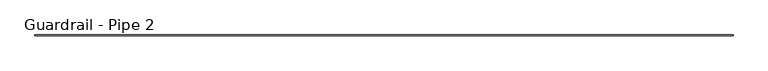
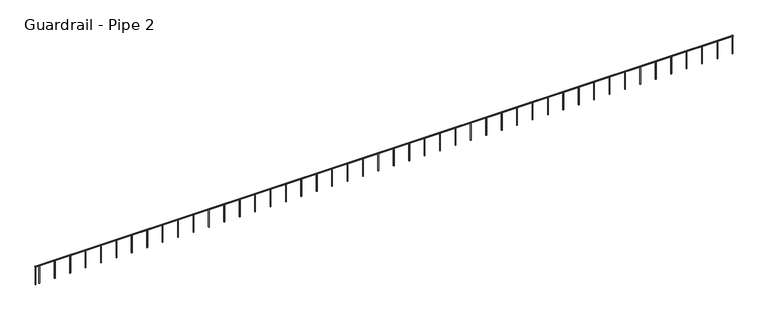
"""IFC4 building model written with IfcOpenShell, lengths in millimetres: railing geometry, Guardrail - Pipe 2."""

from ifc_helpers import new_model, si_unit, point, frame, frame_2d, origin, place, context, project, spatial, circle_curve, trimmed, segment, composite_curve, outline, extrude, source, transform, mapped, element, save


def guardrail_pipe_2_a2d819c8(model_context):
    return source(origin(), model_context, "Body", "SweptSolid", [
        extrude(outline(composite_curve([segment(trimmed(circle_curve(frame_2d((-523774.2080223, 5772.15)), 19.05), [point((-523793.2580223, 5772.15))], [point((-523755.1580223, 5772.15))], False, "CARTESIAN"), True, "CONTINUOUS"), segment(trimmed(circle_curve(frame_2d((-523774.2080223, 5772.15)), 19.05), [point((-523755.1580223, 5772.15))], [point((-523793.2580223, 5772.15))], False, "CARTESIAN"), True, "CONTINUOUS")], self_intersect=False)), frame((242124.2525869, 0.0, 0.0), z_axis=(1.0, 0.0, 0.0), x_axis=(0.0, 1.0, 0.0)), (0.0, 0.0, 1.0), 27595.5125),
        extrude(outline(composite_curve([segment(trimmed(circle_curve(frame_2d((242287.7650869, -523774.2080223)), 12.7), [point((242287.7650869, -523786.9080223))], [point((242287.7650869, -523761.5080223))], False, "CARTESIAN"), True, "CONTINUOUS"), segment(trimmed(circle_curve(frame_2d((242287.7650869, -523774.2080223)), 12.7), [point((242287.7650869, -523761.5080223))], [point((242287.7650869, -523786.9080223))], False, "CARTESIAN"), True, "CONTINUOUS")], self_intersect=False)), frame((0.0, 0.0, 5029.2), z_axis=(0.0, 0.0, 1.0), x_axis=(1.0, 0.0, 0.0)), (0.0, 0.0, 1.0), 723.9),
        extrude(outline(composite_curve([segment(trimmed(circle_curve(frame_2d((242897.3650869, -523774.2080223)), 12.7), [point((242897.3650869, -523786.9080223))], [point((242897.3650869, -523761.5080223))], False, "CARTESIAN"), True, "CONTINUOUS"), segment(trimmed(circle_curve(frame_2d((242897.3650869, -523774.2080223)), 12.7), [point((242897.3650869, -523761.5080223))], [point((242897.3650869, -523786.9080223))], False, "CARTESIAN"), True, "CONTINUOUS")], self_intersect=False)), frame((0.0, 0.0, 5029.2), z_axis=(0.0, 0.0, 1.0), x_axis=(1.0, 0.0, 0.0)), (0.0, 0.0, 1.0), 723.9),
        extrude(outline(composite_curve([segment(trimmed(circle_curve(frame_2d((243506.9650869, -523774.2080223)), 12.7), [point((243506.9650869, -523786.9080223))], [point((243506.9650869, -523761.5080223))], False, "CARTESIAN"), True, "CONTINUOUS"), segment(trimmed(circle_curve(frame_2d((243506.9650869, -523774.2080223)), 12.7), [point((243506.9650869, -523761.5080223))], [point((243506.9650869, -523786.9080223))], False, "CARTESIAN"), True, "CONTINUOUS")], self_intersect=False)), frame((0.0, 0.0, 5029.2), z_axis=(0.0, 0.0, 1.0), x_axis=(1.0, 0.0, 0.0)), (0.0, 0.0, 1.0), 723.9),
        extrude(outline(composite_curve([segment(trimmed(circle_curve(frame_2d((244116.5650869, -523774.2080223)), 12.7), [point((244116.5650869, -523786.9080223))], [point((244116.5650869, -523761.5080223))], False, "CARTESIAN"), True, "CONTINUOUS"), segment(trimmed(circle_curve(frame_2d((244116.5650869, -523774.2080223)), 12.7), [point((244116.5650869, -523761.5080223))], [point((244116.5650869, -523786.9080223))], False, "CARTESIAN"), True, "CONTINUOUS")], self_intersect=False)), frame((0.0, 0.0, 5029.2), z_axis=(0.0, 0.0, 1.0), x_axis=(1.0, 0.0, 0.0)), (0.0, 0.0, 1.0), 723.9),
        extrude(outline(composite_curve([segment(trimmed(circle_curve(frame_2d((244726.1650869, -523774.2080223)), 12.7), [point((244726.1650869, -523786.9080223))], [point((244726.1650869, -523761.5080223))], False, "CARTESIAN"), True, "CONTINUOUS"), segment(trimmed(circle_curve(frame_2d((244726.1650869, -523774.2080223)), 12.7), [point((244726.1650869, -523761.5080223))], [point((244726.1650869, -523786.9080223))], False, "CARTESIAN"), True, "CONTINUOUS")], self_intersect=False)), frame((0.0, 0.0, 5029.2), z_axis=(0.0, 0.0, 1.0), x_axis=(1.0, 0.0, 0.0)), (0.0, 0.0, 1.0), 723.9),
        extrude(outline(composite_curve([segment(trimmed(circle_curve(frame_2d((245335.7650869, -523774.2080223)), 12.7), [point((245335.7650869, -523786.9080223))], [point((245335.7650869, -523761.5080223))], False, "CARTESIAN"), True, "CONTINUOUS"), segment(trimmed(circle_curve(frame_2d((245335.7650869, -523774.2080223)), 12.7), [point((245335.7650869, -523761.5080223))], [point((245335.7650869, -523786.9080223))], False, "CARTESIAN"), True, "CONTINUOUS")], self_intersect=False)), frame((0.0, 0.0, 5029.2), z_axis=(0.0, 0.0, 1.0), x_axis=(1.0, 0.0, 0.0)), (0.0, 0.0, 1.0), 723.9),
        extrude(outline(composite_curve([segment(trimmed(circle_curve(frame_2d((245945.3650869, -523774.2080223)), 12.7), [point((245945.3650869, -523786.9080223))], [point((245945.3650869, -523761.5080223))], False, "CARTESIAN"), True, "CONTINUOUS"), segment(trimmed(circle_curve(frame_2d((245945.3650869, -523774.2080223)), 12.7), [point((245945.3650869, -523761.5080223))], [point((245945.3650869, -523786.9080223))], False, "CARTESIAN"), True, "CONTINUOUS")], self_intersect=False)), frame((0.0, 0.0, 5029.2), z_axis=(0.0, 0.0, 1.0), x_axis=(1.0, 0.0, 0.0)), (0.0, 0.0, 1.0), 723.9),
        extrude(outline(composite_curve([segment(trimmed(circle_curve(frame_2d((246554.9650869, -523774.2080223)), 12.7), [point((246554.9650869, -523786.9080223))], [point((246554.9650869, -523761.5080223))], False, "CARTESIAN"), True, "CONTINUOUS"), segment(trimmed(circle_curve(frame_2d((246554.9650869, -523774.2080223)), 12.7), [point((246554.9650869, -523761.5080223))], [point((246554.9650869, -523786.9080223))], False, "CARTESIAN"), True, "CONTINUOUS")], self_intersect=False)), frame((0.0, 0.0, 5029.2), z_axis=(0.0, 0.0, 1.0), x_axis=(1.0, 0.0, 0.0)), (0.0, 0.0, 1.0), 723.9),
        extrude(outline(composite_curve([segment(trimmed(circle_curve(frame_2d((247164.5650869, -523774.2080223)), 12.7), [point((247164.5650869, -523786.9080223))], [point((247164.5650869, -523761.5080223))], False, "CARTESIAN"), True, "CONTINUOUS"), segment(trimmed(circle_curve(frame_2d((247164.5650869, -523774.2080223)), 12.7), [point((247164.5650869, -523761.5080223))], [point((247164.5650869, -523786.9080223))], False, "CARTESIAN"), True, "CONTINUOUS")], self_intersect=False)), frame((0.0, 0.0, 5029.2), z_axis=(0.0, 0.0, 1.0), x_axis=(1.0, 0.0, 0.0)), (0.0, 0.0, 1.0), 723.9),
        extrude(outline(composite_curve([segment(trimmed(circle_curve(frame_2d((247774.1650869, -523774.2080223)), 12.7), [point((247774.1650869, -523786.9080223))], [point((247774.1650869, -523761.5080223))], False, "CARTESIAN"), True, "CONTINUOUS"), segment(trimmed(circle_curve(frame_2d((247774.1650869, -523774.2080223)), 12.7), [point((247774.1650869, -523761.5080223))], [point((247774.1650869, -523786.9080223))], False, "CARTESIAN"), True, "CONTINUOUS")], self_intersect=False)), frame((0.0, 0.0, 5029.2), z_axis=(0.0, 0.0, 1.0), x_axis=(1.0, 0.0, 0.0)), (0.0, 0.0, 1.0), 723.9),
        extrude(outline(composite_curve([segment(trimmed(circle_curve(frame_2d((248383.7650869, -523774.2080223)), 12.7), [point((248383.7650869, -523786.9080223))], [point((248383.7650869, -523761.5080223))], False, "CARTESIAN"), True, "CONTINUOUS"), segment(trimmed(circle_curve(frame_2d((248383.7650869, -523774.2080223)), 12.7), [point((248383.7650869, -523761.5080223))], [point((248383.7650869, -523786.9080223))], False, "CARTESIAN"), True, "CONTINUOUS")], self_intersect=False)), frame((0.0, 0.0, 5029.2), z_axis=(0.0, 0.0, 1.0), x_axis=(1.0, 0.0, 0.0)), (0.0, 0.0, 1.0), 723.9),
        extrude(outline(composite_curve([segment(trimmed(circle_curve(frame_2d((248993.3650869, -523774.2080223)), 12.7), [point((248993.3650869, -523786.9080223))], [point((248993.3650869, -523761.5080223))], False, "CARTESIAN"), True, "CONTINUOUS"), segment(trimmed(circle_curve(frame_2d((248993.3650869, -523774.2080223)), 12.7), [point((248993.3650869, -523761.5080223))], [point((248993.3650869, -523786.9080223))], False, "CARTESIAN"), True, "CONTINUOUS")], self_intersect=False)), frame((0.0, 0.0, 5029.2), z_axis=(0.0, 0.0, 1.0), x_axis=(1.0, 0.0, 0.0)), (0.0, 0.0, 1.0), 723.9),
        extrude(outline(composite_curve([segment(trimmed(circle_curve(frame_2d((249602.9650869, -523774.2080223)), 12.7), [point((249602.9650869, -523786.9080223))], [point((249602.9650869, -523761.5080223))], False, "CARTESIAN"), True, "CONTINUOUS"), segment(trimmed(circle_curve(frame_2d((249602.9650869, -523774.2080223)), 12.7), [point((249602.9650869, -523761.5080223))], [point((249602.9650869, -523786.9080223))], False, "CARTESIAN"), True, "CONTINUOUS")], self_intersect=False)), frame((0.0, 0.0, 5029.2), z_axis=(0.0, 0.0, 1.0), x_axis=(1.0, 0.0, 0.0)), (0.0, 0.0, 1.0), 723.9),
        extrude(outline(composite_curve([segment(trimmed(circle_curve(frame_2d((250212.5650869, -523774.2080223)), 12.7), [point((250212.5650869, -523786.9080223))], [point((250212.5650869, -523761.5080223))], False, "CARTESIAN"), True, "CONTINUOUS"), segment(trimmed(circle_curve(frame_2d((250212.5650869, -523774.2080223)), 12.7), [point((250212.5650869, -523761.5080223))], [point((250212.5650869, -523786.9080223))], False, "CARTESIAN"), True, "CONTINUOUS")], self_intersect=False)), frame((0.0, 0.0, 5029.2), z_axis=(0.0, 0.0, 1.0), x_axis=(1.0, 0.0, 0.0)), (0.0, 0.0, 1.0), 723.9),
        extrude(outline(composite_curve([segment(trimmed(circle_curve(frame_2d((250822.1650869, -523774.2080223)), 12.7), [point((250822.1650869, -523786.9080223))], [point((250822.1650869, -523761.5080223))], False, "CARTESIAN"), True, "CONTINUOUS"), segment(trimmed(circle_curve(frame_2d((250822.1650869, -523774.2080223)), 12.7), [point((250822.1650869, -523761.5080223))], [point((250822.1650869, -523786.9080223))], False, "CARTESIAN"), True, "CONTINUOUS")], self_intersect=False)), frame((0.0, 0.0, 5029.2), z_axis=(0.0, 0.0, 1.0), x_axis=(1.0, 0.0, 0.0)), (0.0, 0.0, 1.0), 723.9),
        extrude(outline(composite_curve([segment(trimmed(circle_curve(frame_2d((251431.7650869, -523774.2080223)), 12.7), [point((251431.7650869, -523786.9080223))], [point((251431.7650869, -523761.5080223))], False, "CARTESIAN"), True, "CONTINUOUS"), segment(trimmed(circle_curve(frame_2d((251431.7650869, -523774.2080223)), 12.7), [point((251431.7650869, -523761.5080223))], [point((251431.7650869, -523786.9080223))], False, "CARTESIAN"), True, "CONTINUOUS")], self_intersect=False)), frame((0.0, 0.0, 5029.2), z_axis=(0.0, 0.0, 1.0), x_axis=(1.0, 0.0, 0.0)), (0.0, 0.0, 1.0), 723.9),
        extrude(outline(composite_curve([segment(trimmed(circle_curve(frame_2d((252041.3650869, -523774.2080223)), 12.7), [point((252041.3650869, -523786.9080223))], [point((252041.3650869, -523761.5080223))], False, "CARTESIAN"), True, "CONTINUOUS"), segment(trimmed(circle_curve(frame_2d((252041.3650869, -523774.2080223)), 12.7), [point((252041.3650869, -523761.5080223))], [point((252041.3650869, -523786.9080223))], False, "CARTESIAN"), True, "CONTINUOUS")], self_intersect=False)), frame((0.0, 0.0, 5029.2), z_axis=(0.0, 0.0, 1.0), x_axis=(1.0, 0.0, 0.0)), (0.0, 0.0, 1.0), 723.9),
        extrude(outline(composite_curve([segment(trimmed(circle_curve(frame_2d((252650.9650869, -523774.2080223)), 12.7), [point((252650.9650869, -523786.9080223))], [point((252650.9650869, -523761.5080223))], False, "CARTESIAN"), True, "CONTINUOUS"), segment(trimmed(circle_curve(frame_2d((252650.9650869, -523774.2080223)), 12.7), [point((252650.9650869, -523761.5080223))], [point((252650.9650869, -523786.9080223))], False, "CARTESIAN"), True, "CONTINUOUS")], self_intersect=False)), frame((0.0, 0.0, 5029.2), z_axis=(0.0, 0.0, 1.0), x_axis=(1.0, 0.0, 0.0)), (0.0, 0.0, 1.0), 723.9),
        extrude(outline(composite_curve([segment(trimmed(circle_curve(frame_2d((253260.5650869, -523774.2080223)), 12.7), [point((253260.5650869, -523786.9080223))], [point((253260.5650869, -523761.5080223))], False, "CARTESIAN"), True, "CONTINUOUS"), segment(trimmed(circle_curve(frame_2d((253260.5650869, -523774.2080223)), 12.7), [point((253260.5650869, -523761.5080223))], [point((253260.5650869, -523786.9080223))], False, "CARTESIAN"), True, "CONTINUOUS")], self_intersect=False)), frame((0.0, 0.0, 5029.2), z_axis=(0.0, 0.0, 1.0), x_axis=(1.0, 0.0, 0.0)), (0.0, 0.0, 1.0), 723.9),
        extrude(outline(composite_curve([segment(trimmed(circle_curve(frame_2d((253870.1650869, -523774.2080223)), 12.7), [point((253870.1650869, -523786.9080223))], [point((253870.1650869, -523761.5080223))], False, "CARTESIAN"), True, "CONTINUOUS"), segment(trimmed(circle_curve(frame_2d((253870.1650869, -523774.2080223)), 12.7), [point((253870.1650869, -523761.5080223))], [point((253870.1650869, -523786.9080223))], False, "CARTESIAN"), True, "CONTINUOUS")], self_intersect=False)), frame((0.0, 0.0, 5029.2), z_axis=(0.0, 0.0, 1.0), x_axis=(1.0, 0.0, 0.0)), (0.0, 0.0, 1.0), 723.9),
        extrude(outline(composite_curve([segment(trimmed(circle_curve(frame_2d((254479.7650869, -523774.2080223)), 12.7), [point((254479.7650869, -523786.9080223))], [point((254479.7650869, -523761.5080223))], False, "CARTESIAN"), True, "CONTINUOUS"), segment(trimmed(circle_curve(frame_2d((254479.7650869, -523774.2080223)), 12.7), [point((254479.7650869, -523761.5080223))], [point((254479.7650869, -523786.9080223))], False, "CARTESIAN"), True, "CONTINUOUS")], self_intersect=False)), frame((0.0, 0.0, 5029.2), z_axis=(0.0, 0.0, 1.0), x_axis=(1.0, 0.0, 0.0)), (0.0, 0.0, 1.0), 723.9),
        extrude(outline(composite_curve([segment(trimmed(circle_curve(frame_2d((255089.3650869, -523774.2080223)), 12.7), [point((255089.3650869, -523786.9080223))], [point((255089.3650869, -523761.5080223))], False, "CARTESIAN"), True, "CONTINUOUS"), segment(trimmed(circle_curve(frame_2d((255089.3650869, -523774.2080223)), 12.7), [point((255089.3650869, -523761.5080223))], [point((255089.3650869, -523786.9080223))], False, "CARTESIAN"), True, "CONTINUOUS")], self_intersect=False)), frame((0.0, 0.0, 5029.2), z_axis=(0.0, 0.0, 1.0), x_axis=(1.0, 0.0, 0.0)), (0.0, 0.0, 1.0), 723.9),
        extrude(outline(composite_curve([segment(trimmed(circle_curve(frame_2d((255698.9650869, -523774.2080223)), 12.7), [point((255698.9650869, -523786.9080223))], [point((255698.9650869, -523761.5080223))], False, "CARTESIAN"), True, "CONTINUOUS"), segment(trimmed(circle_curve(frame_2d((255698.9650869, -523774.2080223)), 12.7), [point((255698.9650869, -523761.5080223))], [point((255698.9650869, -523786.9080223))], False, "CARTESIAN"), True, "CONTINUOUS")], self_intersect=False)), frame((0.0, 0.0, 5029.2), z_axis=(0.0, 0.0, 1.0), x_axis=(1.0, 0.0, 0.0)), (0.0, 0.0, 1.0), 723.9),
        extrude(outline(composite_curve([segment(trimmed(circle_curve(frame_2d((256308.5650869, -523774.2080223)), 12.7), [point((256308.5650869, -523786.9080223))], [point((256308.5650869, -523761.5080223))], False, "CARTESIAN"), True, "CONTINUOUS"), segment(trimmed(circle_curve(frame_2d((256308.5650869, -523774.2080223)), 12.7), [point((256308.5650869, -523761.5080223))], [point((256308.5650869, -523786.9080223))], False, "CARTESIAN"), True, "CONTINUOUS")], self_intersect=False)), frame((0.0, 0.0, 5029.2), z_axis=(0.0, 0.0, 1.0), x_axis=(1.0, 0.0, 0.0)), (0.0, 0.0, 1.0), 723.9),
        extrude(outline(composite_curve([segment(trimmed(circle_curve(frame_2d((256918.1650869, -523774.2080223)), 12.7), [point((256918.1650869, -523786.9080223))], [point((256918.1650869, -523761.5080223))], False, "CARTESIAN"), True, "CONTINUOUS"), segment(trimmed(circle_curve(frame_2d((256918.1650869, -523774.2080223)), 12.7), [point((256918.1650869, -523761.5080223))], [point((256918.1650869, -523786.9080223))], False, "CARTESIAN"), True, "CONTINUOUS")], self_intersect=False)), frame((0.0, 0.0, 5029.2), z_axis=(0.0, 0.0, 1.0), x_axis=(1.0, 0.0, 0.0)), (0.0, 0.0, 1.0), 723.9),
        extrude(outline(composite_curve([segment(trimmed(circle_curve(frame_2d((257527.7650869, -523774.2080223)), 12.7), [point((257527.7650869, -523786.9080223))], [point((257527.7650869, -523761.5080223))], False, "CARTESIAN"), True, "CONTINUOUS"), segment(trimmed(circle_curve(frame_2d((257527.7650869, -523774.2080223)), 12.7), [point((257527.7650869, -523761.5080223))], [point((257527.7650869, -523786.9080223))], False, "CARTESIAN"), True, "CONTINUOUS")], self_intersect=False)), frame((0.0, 0.0, 5029.2), z_axis=(0.0, 0.0, 1.0), x_axis=(1.0, 0.0, 0.0)), (0.0, 0.0, 1.0), 723.9),
        extrude(outline(composite_curve([segment(trimmed(circle_curve(frame_2d((258137.3650869, -523774.2080223)), 12.7), [point((258137.3650869, -523786.9080223))], [point((258137.3650869, -523761.5080223))], False, "CARTESIAN"), True, "CONTINUOUS"), segment(trimmed(circle_curve(frame_2d((258137.3650869, -523774.2080223)), 12.7), [point((258137.3650869, -523761.5080223))], [point((258137.3650869, -523786.9080223))], False, "CARTESIAN"), True, "CONTINUOUS")], self_intersect=False)), frame((0.0, 0.0, 5029.2), z_axis=(0.0, 0.0, 1.0), x_axis=(1.0, 0.0, 0.0)), (0.0, 0.0, 1.0), 723.9),
        extrude(outline(composite_curve([segment(trimmed(circle_curve(frame_2d((258746.9650869, -523774.2080223)), 12.7), [point((258746.9650869, -523786.9080223))], [point((258746.9650869, -523761.5080223))], False, "CARTESIAN"), True, "CONTINUOUS"), segment(trimmed(circle_curve(frame_2d((258746.9650869, -523774.2080223)), 12.7), [point((258746.9650869, -523761.5080223))], [point((258746.9650869, -523786.9080223))], False, "CARTESIAN"), True, "CONTINUOUS")], self_intersect=False)), frame((0.0, 0.0, 5029.2), z_axis=(0.0, 0.0, 1.0), x_axis=(1.0, 0.0, 0.0)), (0.0, 0.0, 1.0), 723.9),
        extrude(outline(composite_curve([segment(trimmed(circle_curve(frame_2d((259356.5650869, -523774.2080223)), 12.7), [point((259356.5650869, -523786.9080223))], [point((259356.5650869, -523761.5080223))], False, "CARTESIAN"), True, "CONTINUOUS"), segment(trimmed(circle_curve(frame_2d((259356.5650869, -523774.2080223)), 12.7), [point((259356.5650869, -523761.5080223))], [point((259356.5650869, -523786.9080223))], False, "CARTESIAN"), True, "CONTINUOUS")], self_intersect=False)), frame((0.0, 0.0, 5029.2), z_axis=(0.0, 0.0, 1.0), x_axis=(1.0, 0.0, 0.0)), (0.0, 0.0, 1.0), 723.9),
        extrude(outline(composite_curve([segment(trimmed(circle_curve(frame_2d((259966.1650869, -523774.2080223)), 12.7), [point((259966.1650869, -523786.9080223))], [point((259966.1650869, -523761.5080223))], False, "CARTESIAN"), True, "CONTINUOUS"), segment(trimmed(circle_curve(frame_2d((259966.1650869, -523774.2080223)), 12.7), [point((259966.1650869, -523761.5080223))], [point((259966.1650869, -523786.9080223))], False, "CARTESIAN"), True, "CONTINUOUS")], self_intersect=False)), frame((0.0, 0.0, 5029.2), z_axis=(0.0, 0.0, 1.0), x_axis=(1.0, 0.0, 0.0)), (0.0, 0.0, 1.0), 723.9),
        extrude(outline(composite_curve([segment(trimmed(circle_curve(frame_2d((260575.7650869, -523774.2080223)), 12.7), [point((260575.7650869, -523786.9080223))], [point((260575.7650869, -523761.5080223))], False, "CARTESIAN"), True, "CONTINUOUS"), segment(trimmed(circle_curve(frame_2d((260575.7650869, -523774.2080223)), 12.7), [point((260575.7650869, -523761.5080223))], [point((260575.7650869, -523786.9080223))], False, "CARTESIAN"), True, "CONTINUOUS")], self_intersect=False)), frame((0.0, 0.0, 5029.2), z_axis=(0.0, 0.0, 1.0), x_axis=(1.0, 0.0, 0.0)), (0.0, 0.0, 1.0), 723.9),
        extrude(outline(composite_curve([segment(trimmed(circle_curve(frame_2d((261185.3650869, -523774.2080223)), 12.7), [point((261185.3650869, -523786.9080223))], [point((261185.3650869, -523761.5080223))], False, "CARTESIAN"), True, "CONTINUOUS"), segment(trimmed(circle_curve(frame_2d((261185.3650869, -523774.2080223)), 12.7), [point((261185.3650869, -523761.5080223))], [point((261185.3650869, -523786.9080223))], False, "CARTESIAN"), True, "CONTINUOUS")], self_intersect=False)), frame((0.0, 0.0, 5029.2), z_axis=(0.0, 0.0, 1.0), x_axis=(1.0, 0.0, 0.0)), (0.0, 0.0, 1.0), 723.9),
        extrude(outline(composite_curve([segment(trimmed(circle_curve(frame_2d((261794.9650869, -523774.2080223)), 12.7), [point((261794.9650869, -523786.9080223))], [point((261794.9650869, -523761.5080223))], False, "CARTESIAN"), True, "CONTINUOUS"), segment(trimmed(circle_curve(frame_2d((261794.9650869, -523774.2080223)), 12.7), [point((261794.9650869, -523761.5080223))], [point((261794.9650869, -523786.9080223))], False, "CARTESIAN"), True, "CONTINUOUS")], self_intersect=False)), frame((0.0, 0.0, 5029.2), z_axis=(0.0, 0.0, 1.0), x_axis=(1.0, 0.0, 0.0)), (0.0, 0.0, 1.0), 723.9),
        extrude(outline(composite_curve([segment(trimmed(circle_curve(frame_2d((262404.5650869, -523774.2080223)), 12.7), [point((262404.5650869, -523786.9080223))], [point((262404.5650869, -523761.5080223))], False, "CARTESIAN"), True, "CONTINUOUS"), segment(trimmed(circle_curve(frame_2d((262404.5650869, -523774.2080223)), 12.7), [point((262404.5650869, -523761.5080223))], [point((262404.5650869, -523786.9080223))], False, "CARTESIAN"), True, "CONTINUOUS")], self_intersect=False)), frame((0.0, 0.0, 5029.2), z_axis=(0.0, 0.0, 1.0), x_axis=(1.0, 0.0, 0.0)), (0.0, 0.0, 1.0), 723.9),
        extrude(outline(composite_curve([segment(trimmed(circle_curve(frame_2d((263014.1650869, -523774.2080223)), 12.7), [point((263014.1650869, -523786.9080223))], [point((263014.1650869, -523761.5080223))], False, "CARTESIAN"), True, "CONTINUOUS"), segment(trimmed(circle_curve(frame_2d((263014.1650869, -523774.2080223)), 12.7), [point((263014.1650869, -523761.5080223))], [point((263014.1650869, -523786.9080223))], False, "CARTESIAN"), True, "CONTINUOUS")], self_intersect=False)), frame((0.0, 0.0, 5029.2), z_axis=(0.0, 0.0, 1.0), x_axis=(1.0, 0.0, 0.0)), (0.0, 0.0, 1.0), 723.9),
        extrude(outline(composite_curve([segment(trimmed(circle_curve(frame_2d((263623.7650869, -523774.2080223)), 12.7), [point((263623.7650869, -523786.9080223))], [point((263623.7650869, -523761.5080223))], False, "CARTESIAN"), True, "CONTINUOUS"), segment(trimmed(circle_curve(frame_2d((263623.7650869, -523774.2080223)), 12.7), [point((263623.7650869, -523761.5080223))], [point((263623.7650869, -523786.9080223))], False, "CARTESIAN"), True, "CONTINUOUS")], self_intersect=False)), frame((0.0, 0.0, 5029.2), z_axis=(0.0, 0.0, 1.0), x_axis=(1.0, 0.0, 0.0)), (0.0, 0.0, 1.0), 723.9),
        extrude(outline(composite_curve([segment(trimmed(circle_curve(frame_2d((264233.3650869, -523774.2080223)), 12.7), [point((264233.3650869, -523786.9080223))], [point((264233.3650869, -523761.5080223))], False, "CARTESIAN"), True, "CONTINUOUS"), segment(trimmed(circle_curve(frame_2d((264233.3650869, -523774.2080223)), 12.7), [point((264233.3650869, -523761.5080223))], [point((264233.3650869, -523786.9080223))], False, "CARTESIAN"), True, "CONTINUOUS")], self_intersect=False)), frame((0.0, 0.0, 5029.2), z_axis=(0.0, 0.0, 1.0), x_axis=(1.0, 0.0, 0.0)), (0.0, 0.0, 1.0), 723.9),
        extrude(outline(composite_curve([segment(trimmed(circle_curve(frame_2d((264842.9650869, -523774.2080223)), 12.7), [point((264842.9650869, -523786.9080223))], [point((264842.9650869, -523761.5080223))], False, "CARTESIAN"), True, "CONTINUOUS"), segment(trimmed(circle_curve(frame_2d((264842.9650869, -523774.2080223)), 12.7), [point((264842.9650869, -523761.5080223))], [point((264842.9650869, -523786.9080223))], False, "CARTESIAN"), True, "CONTINUOUS")], self_intersect=False)), frame((0.0, 0.0, 5029.2), z_axis=(0.0, 0.0, 1.0), x_axis=(1.0, 0.0, 0.0)), (0.0, 0.0, 1.0), 723.9),
        extrude(outline(composite_curve([segment(trimmed(circle_curve(frame_2d((265452.5650869, -523774.2080223)), 12.7), [point((265452.5650869, -523786.9080223))], [point((265452.5650869, -523761.5080223))], False, "CARTESIAN"), True, "CONTINUOUS"), segment(trimmed(circle_curve(frame_2d((265452.5650869, -523774.2080223)), 12.7), [point((265452.5650869, -523761.5080223))], [point((265452.5650869, -523786.9080223))], False, "CARTESIAN"), True, "CONTINUOUS")], self_intersect=False)), frame((0.0, 0.0, 5029.2), z_axis=(0.0, 0.0, 1.0), x_axis=(1.0, 0.0, 0.0)), (0.0, 0.0, 1.0), 723.9),
        extrude(outline(composite_curve([segment(trimmed(circle_curve(frame_2d((266062.1650869, -523774.2080223)), 12.7), [point((266062.1650869, -523786.9080223))], [point((266062.1650869, -523761.5080223))], False, "CARTESIAN"), True, "CONTINUOUS"), segment(trimmed(circle_curve(frame_2d((266062.1650869, -523774.2080223)), 12.7), [point((266062.1650869, -523761.5080223))], [point((266062.1650869, -523786.9080223))], False, "CARTESIAN"), True, "CONTINUOUS")], self_intersect=False)), frame((0.0, 0.0, 5029.2), z_axis=(0.0, 0.0, 1.0), x_axis=(1.0, 0.0, 0.0)), (0.0, 0.0, 1.0), 723.9),
        extrude(outline(composite_curve([segment(trimmed(circle_curve(frame_2d((266671.7650869, -523774.2080223)), 12.7), [point((266671.7650869, -523786.9080223))], [point((266671.7650869, -523761.5080223))], False, "CARTESIAN"), True, "CONTINUOUS"), segment(trimmed(circle_curve(frame_2d((266671.7650869, -523774.2080223)), 12.7), [point((266671.7650869, -523761.5080223))], [point((266671.7650869, -523786.9080223))], False, "CARTESIAN"), True, "CONTINUOUS")], self_intersect=False)), frame((0.0, 0.0, 5029.2), z_axis=(0.0, 0.0, 1.0), x_axis=(1.0, 0.0, 0.0)), (0.0, 0.0, 1.0), 723.9),
        extrude(outline(composite_curve([segment(trimmed(circle_curve(frame_2d((267281.3650869, -523774.2080223)), 12.7), [point((267281.3650869, -523786.9080223))], [point((267281.3650869, -523761.5080223))], False, "CARTESIAN"), True, "CONTINUOUS"), segment(trimmed(circle_curve(frame_2d((267281.3650869, -523774.2080223)), 12.7), [point((267281.3650869, -523761.5080223))], [point((267281.3650869, -523786.9080223))], False, "CARTESIAN"), True, "CONTINUOUS")], self_intersect=False)), frame((0.0, 0.0, 5029.2), z_axis=(0.0, 0.0, 1.0), x_axis=(1.0, 0.0, 0.0)), (0.0, 0.0, 1.0), 723.9),
        extrude(outline(composite_curve([segment(trimmed(circle_curve(frame_2d((267890.9650869, -523774.2080223)), 12.7), [point((267890.9650869, -523786.9080223))], [point((267890.9650869, -523761.5080223))], False, "CARTESIAN"), True, "CONTINUOUS"), segment(trimmed(circle_curve(frame_2d((267890.9650869, -523774.2080223)), 12.7), [point((267890.9650869, -523761.5080223))], [point((267890.9650869, -523786.9080223))], False, "CARTESIAN"), True, "CONTINUOUS")], self_intersect=False)), frame((0.0, 0.0, 5029.2), z_axis=(0.0, 0.0, 1.0), x_axis=(1.0, 0.0, 0.0)), (0.0, 0.0, 1.0), 723.9),
        extrude(outline(composite_curve([segment(trimmed(circle_curve(frame_2d((268500.5650869, -523774.2080223)), 12.7), [point((268500.5650869, -523786.9080223))], [point((268500.5650869, -523761.5080223))], False, "CARTESIAN"), True, "CONTINUOUS"), segment(trimmed(circle_curve(frame_2d((268500.5650869, -523774.2080223)), 12.7), [point((268500.5650869, -523761.5080223))], [point((268500.5650869, -523786.9080223))], False, "CARTESIAN"), True, "CONTINUOUS")], self_intersect=False)), frame((0.0, 0.0, 5029.2), z_axis=(0.0, 0.0, 1.0), x_axis=(1.0, 0.0, 0.0)), (0.0, 0.0, 1.0), 723.9),
        extrude(outline(composite_curve([segment(trimmed(circle_curve(frame_2d((269110.1650869, -523774.2080223)), 12.7), [point((269110.1650869, -523786.9080223))], [point((269110.1650869, -523761.5080223))], False, "CARTESIAN"), True, "CONTINUOUS"), segment(trimmed(circle_curve(frame_2d((269110.1650869, -523774.2080223)), 12.7), [point((269110.1650869, -523761.5080223))], [point((269110.1650869, -523786.9080223))], False, "CARTESIAN"), True, "CONTINUOUS")], self_intersect=False)), frame((0.0, 0.0, 5029.2), z_axis=(0.0, 0.0, 1.0), x_axis=(1.0, 0.0, 0.0)), (0.0, 0.0, 1.0), 723.9),
        extrude(outline(composite_curve([segment(trimmed(circle_curve(frame_2d((242136.9525869, -523774.2080223)), 12.7), [point((242136.9525869, -523786.9080223))], [point((242136.9525869, -523761.5080223))], False, "CARTESIAN"), True, "CONTINUOUS"), segment(trimmed(circle_curve(frame_2d((242136.9525869, -523774.2080223)), 12.7), [point((242136.9525869, -523761.5080223))], [point((242136.9525869, -523786.9080223))], False, "CARTESIAN"), True, "CONTINUOUS")], self_intersect=False)), frame((0.0, 0.0, 5029.2), z_axis=(0.0, 0.0, 1.0), x_axis=(1.0, 0.0, 0.0)), (0.0, 0.0, 1.0), 723.9),
        extrude(outline(composite_curve([segment(trimmed(circle_curve(frame_2d((269707.0650869, -523774.2080223)), 12.7), [point((269707.0650869, -523786.9080223))], [point((269707.0650869, -523761.5080223))], False, "CARTESIAN"), True, "CONTINUOUS"), segment(trimmed(circle_curve(frame_2d((269707.0650869, -523774.2080223)), 12.7), [point((269707.0650869, -523761.5080223))], [point((269707.0650869, -523786.9080223))], False, "CARTESIAN"), True, "CONTINUOUS")], self_intersect=False)), frame((0.0, 0.0, 5029.2), z_axis=(0.0, 0.0, 1.0), x_axis=(1.0, 0.0, 0.0)), (0.0, 0.0, 1.0), 723.9),
    ])


if __name__ == "__main__":
    model = new_model("IFC4")
    model_context = context("Model", 3, world=origin())
    ifc_project = project(units=[si_unit("LENGTHUNIT", "METRE", prefix="MILLI")], contexts=[model_context])
    site = spatial("IfcSite", under=ifc_project)
    building = spatial("IfcBuilding", under=site)
    placement = place(None, origin())
    guardrail_pipe_2_shape = guardrail_pipe_2_a2d819c8(model_context)
    element("IfcRailing", 1, ObjectType="Guardrail - Pipe 2", at=placement, inside=building, context=model_context, shape_type="MappedRepresentation", body=[
        mapped(guardrail_pipe_2_shape, transform((0.0, 0.0, 0.0), x_axis=(1.0, 0.0, 0.0), y_axis=(0.0, 1.0, 0.0), z_axis=(0.0, 0.0, 1.0))),
    ])
    save(model, "model.ifc")
